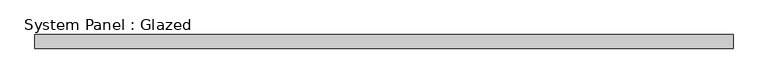
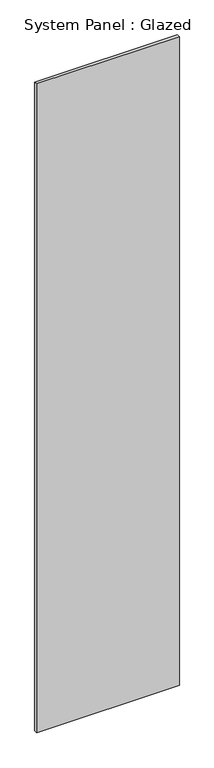
"""IFC4 building model written with IfcOpenShell, lengths in millimetres: plate geometry, System Panel : Glazed."""

from ifc_helpers import new_model, si_unit, origin, origin_with_axes, place, context, project, spatial, polyline, outline, extrude, source, transform, mapped, element, save


def system_panel_glazed_d0bb2c40(model_context):
    return source(origin(), model_context, "Body", "SweptSolid", [
        extrude(outline(polyline([(635.0, 19.05), (-635.0, 19.05), (-635.0, 44.45), (635.0, 44.45), (635.0, 19.05)])), origin_with_axes(), (0.0, 0.0, 1.0), 6096.0),
    ])


if __name__ == "__main__":
    model = new_model("IFC4")
    model_context = context("Model", 3, world=origin())
    ifc_project = project(units=[si_unit("LENGTHUNIT", "METRE", prefix="MILLI")], contexts=[model_context])
    site = spatial("IfcSite", under=ifc_project)
    building = spatial("IfcBuilding", under=site)
    placement = place(None, origin())
    system_panel_glazed_shape = system_panel_glazed_d0bb2c40(model_context)
    element("IfcPlate", 1, ObjectType="System Panel : Glazed", at=placement, inside=building, context=model_context, shape_type="MappedRepresentation", body=[
        mapped(system_panel_glazed_shape, transform((0.0, 0.0, 0.0), x_axis=(1.0, 0.0, 0.0), y_axis=(0.0, 1.0, 0.0), z_axis=(0.0, 0.0, 1.0))),
    ])
    save(model, "model.ifc")
